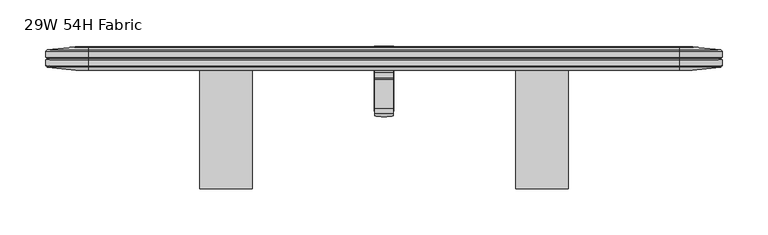
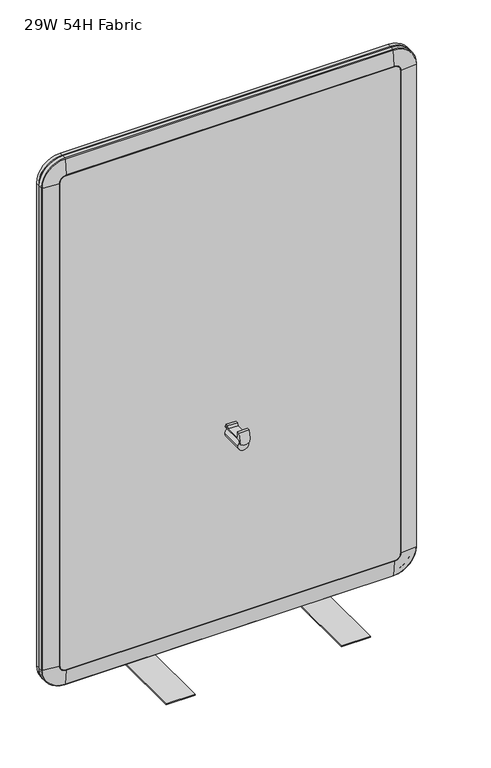
"""IFC4 building model written with IfcOpenShell, lengths in millimetres: furniture geometry, 29W 54H Fabric."""

from ifc_helpers import new_model, si_unit, point, frame, origin, place, context, project, spatial, polyline, circle_curve, ellipse_curve, trimmed, outline, extrude, faceted_brep, source, transform, mapped, element, save
from ifc_brep_helpers import plane_surface, cylinder_surface, revolved_surface, advanced_brep


def furniture_29w_54h_fabric_2c0704c0(model_context):
    return source(origin(), model_context, "Body", "SolidModel", [
        faceted_brep([(378.0789937, -2.6277066, 718.3078995), (378.0789937, -7.8728065, 718.3078995), (378.0789937, -9.612707, 713.1770353), (378.0789937, -41.8453065, 713.1770353), (378.0789937, -41.8453065, 727.3377989), (378.0789937, -47.4124812, 727.6782578), (378.0789937, -49.3824418, 711.6342516), (378.0789937, -46.6092656, 711.2937476), (378.0789937, -44.6393083, 725.0708588), (378.0789937, -44.6393083, 711.6530731), (378.0789937, 0.0, 711.6530731), (378.0789937, 0.0, 713.1770353), (378.0789937, -6.4377066, 713.1770353), (378.0789937, -6.2853063, 716.7838646), (378.0789937, -2.6277066, 716.7838646), (358.4447997, -2.6277066, 718.3078995), (358.4447997, -2.6277066, 716.7838646), (358.4447997, -6.2853063, 716.7838646), (358.4447997, -6.4377066, 713.1770353), (358.4447997, 0.0, 713.1770353), (358.4447997, 0.0, 711.6530731), (358.4447997, -44.6393083, 711.6530731), (358.4447997, -44.6393083, 725.0708588), (358.4447997, -46.6092689, 711.2937201), (358.4447997, -49.3824418, 711.6342516), (358.4447997, -47.4124812, 727.6782578), (358.4447997, -41.8453065, 727.3377989), (358.4447997, -41.8453065, 713.1770353), (358.4447997, -9.612707, 713.1770353), (358.4447997, -7.8728065, 718.3078995), (359.7326571, -50.2284276, 704.7442655), (365.0869088, -50.5788515, 701.8902979), (371.4368846, -50.5788515, 701.8902979), (376.7911363, -50.2284276, 704.7442655), (359.7326571, -47.4552511, 704.4037615), (376.7911363, -47.4552511, 704.4037615), (371.4368846, -47.805675, 701.5497938), (365.0869088, -47.805675, 701.5497938)], [[[0, 1, 2, 3, 4, 5, 6, 7, 8, 9, 10, 11, 12, 13, 14]], [[15, 16, 17, 18, 19, 20, 21, 22, 23, 24, 25, 26, 27, 28, 29]], [[1, 0, 15, 29]], [[2, 1, 29, 28]], [[3, 2, 28, 27]], [[4, 3, 27, 26]], [[5, 4, 26, 25]], [[6, 5, 25, 24, 30, 31, 32, 33]], [[8, 7, 23, 22]], [[9, 8, 22, 21]], [[10, 9, 21, 20]], [[11, 10, 20, 19]], [[12, 11, 19, 18]], [[13, 12, 18, 17]], [[14, 13, 17, 16]], [[0, 14, 16, 15]], [[34, 23, 7, 35, 36, 37]], [[31, 30, 34, 37]], [[32, 31, 37, 36]], [[33, 32, 36, 35]], [[6, 33, 35, 7]], [[30, 24, 23, 34]]]),
        advanced_brep(
        [(357.6250945, -44.6393083, 697.9244563), (378.8987055, -44.6393083, 697.9244563), (357.6250945, 26.4188362, 697.9244563), (378.8987055, 26.4188362, 697.9244563)],
        [
            (0, 1, circle_curve(frame((368.2619, -44.6393083, 697.9244563), z_axis=(0.0, -1.0, 0.0), x_axis=(1.0, 0.0, 0.0)), 10.6368055)),
            (1, 0, circle_curve(frame((368.2619, -44.6393083, 697.9244563), z_axis=(0.0, -1.0, 0.0), x_axis=(1.0, 0.0, 0.0)), 10.6368055)),
            (2, 3, circle_curve(frame((368.2619, 26.4188362, 697.9244563), z_axis=(0.0, 1.0, 0.0), x_axis=(1.0, 0.0, 0.0)), 10.6368055)),
            (3, 2, circle_curve(frame((368.2619, 26.4188362, 697.9244563), z_axis=(0.0, 1.0, 0.0), x_axis=(1.0, 0.0, 0.0)), 10.6368055)),
            (0, 2),
            (3, 1),
        ],
        [
            plane_surface(frame((378.8987055, -44.6393083, 697.9244563), z_axis=(0.0, -1.0, 0.0), x_axis=(0.0, 0.0, 1.0))),
            plane_surface(frame((378.8987055, 26.4188362, 697.9244563), z_axis=(0.0, 1.0, 0.0), x_axis=(0.0, 0.0, -1.0))),
            cylinder_surface(frame((368.2619, 26.4188362, 697.9244563), z_axis=(0.0, -1.0, 0.0), x_axis=(1.0, 0.0, 0.0)), 10.6368055),
        ],
        [
            (0, [[1, 2]]),
            (1, [[3, 4]]),
            (2, [[-1, 5, -4, 6]]),
            (2, [[-2, -6, -3, -5]]),
        ],
    ),
        extrude(outline(polyline([(11.6100608, 299.6271871), (13.3880602, 299.6271871), (13.3880602, 280.5771871), (-128.851937, 280.5771871), (-128.851937, 282.3551854), (11.6100608, 282.3551854), (11.6100608, 299.6271871)])), frame((511.8098934, 0.0, 0.0), z_axis=(1.0, 0.0, 0.0), x_axis=(0.0, 1.0, 0.0)), (0.0, 0.0, 1.0), 57.15),
        advanced_brep(
        [(32.6290972, 0.060067, 1329.8384987), (46.0374985, 0.060067, 1343.2469), (46.0374985, 3.1660648, 1374.2795636), (1.5964336, 3.1660648, 1329.8384987), (33.8323782, 0.0, 1329.8384987), (46.0374985, 0.0, 1342.0436189), (31.2877283, 25.2051854, 1329.8384987), (46.0374985, 25.2051854, 1344.5882689), (46.0374985, 25.4000008, 1340.6954989), (35.1804983, 25.4000008, 1329.8384987), (1.5874985, 22.2249992, 1329.8384987), (46.0374985, 22.2249992, 1374.2884987), (0.0635363, 20.7010007, 1329.8384987), (46.0374985, 20.7010007, 1375.8124609), (0.0635363, 14.2240001, 1329.8384987), (46.0374985, 14.2240001, 1375.8124609), (1.5874985, 12.7000004, 1329.8384987), (46.0374985, 12.7000004, 1374.2884987), (0.0635363, 11.1759996, 1329.8384987), (46.0374985, 11.1759996, 1375.8124609), (0.0635363, 4.6990001, 1329.8384987), (46.0374985, 4.6990001, 1375.8124609), (1.5964336, 3.1660648, 329.7896689), (32.6290972, 0.060067, 329.7896689), (33.8323782, 0.0, 329.7896689), (35.1804983, 25.4000008, 329.7896689), (31.2877283, 25.2051854, 329.7896689), (1.5874985, 22.2249992, 329.7896689), (0.0635363, 20.7010007, 329.7896689), (0.0635363, 14.2240001, 329.7896689), (1.5874985, 12.7000004, 329.7896689), (0.0635363, 11.1759996, 329.7896689), (0.0635363, 4.6990001, 329.7896689), (46.0374985, 3.1660648, 285.3486041), (46.0374985, 0.060067, 316.3812677), (46.0374985, 0.0, 317.5845487), (46.0374985, 25.4000008, 318.9326688), (46.0374985, 25.2051854, 315.0398987), (46.0374985, 22.2249992, 285.3396689), (46.0374985, 20.7010007, 283.8157067), (46.0374985, 14.2240001, 283.8157067), (46.0374985, 12.7000004, 285.3396689), (46.0374985, 11.1759996, 283.8157067), (46.0374985, 4.6990001, 283.8157067), (690.4863176, 3.1660648, 285.3486041), (690.4863176, 0.060067, 316.3812677), (690.4863176, 0.0, 317.5845487), (690.4863176, 25.4000008, 318.9326688), (690.4863176, 25.2051854, 315.0398987), (690.4863176, 22.2249992, 285.3396689), (690.4863176, 20.7010007, 283.8157067), (690.4863176, 14.2240001, 283.8157067), (690.4863176, 12.7000004, 285.3396689), (690.4863176, 11.1759996, 283.8157067), (690.4863176, 4.6990001, 283.8157067), (734.9273825, 3.1660648, 329.7896689), (703.8947189, 0.060067, 329.7896689), (702.6914379, 0.0, 329.7896689), (701.3433178, 25.4000008, 329.7896689), (705.2360878, 25.2051854, 329.7896689), (734.9363176, 22.2249992, 329.7896689), (736.4602798, 20.7010007, 329.7896689), (736.4602798, 14.2240001, 329.7896689), (734.9363176, 12.7000004, 329.7896689), (736.4602798, 11.1759996, 329.7896689), (736.4602798, 4.6990001, 329.7896689), (734.9273825, 3.1660648, 1329.8384987), (703.8947189, 0.060067, 1329.8384987), (702.6914379, 0.0, 1329.8384987), (701.3433178, 25.4000008, 1329.8384987), (705.2360878, 25.2051854, 1329.8384987), (734.9363176, 22.2249992, 1329.8384987), (736.4602798, 20.7010007, 1329.8384987), (736.4602798, 14.2240001, 1329.8384987), (734.9363176, 12.7000004, 1329.8384987), (736.4602798, 11.1759996, 1329.8384987), (736.4602798, 4.6990001, 1329.8384987), (690.4863176, 3.1660648, 1374.2795636), (690.4863176, 0.060067, 1343.2469), (690.4863176, 0.0, 1342.0436189), (690.4863176, 25.4000008, 1340.6954989), (690.4863176, 25.2051854, 1344.5882689), (690.4863176, 22.2249992, 1374.2884987), (690.4863176, 20.7010007, 1375.8124609), (690.4863176, 14.2240001, 1375.8124609), (690.4863176, 12.7000004, 1374.2884987), (690.4863176, 11.1759996, 1375.8124609), (690.4863176, 4.6990001, 1375.8124609)],
        [
            (0, 1, circle_curve(frame((46.0374985, 0.060067, 1329.8384987), z_axis=(0.0, 1.0, 0.0), x_axis=(0.0, 0.0, 1.0)), 13.4084013)),
            (1, 2),
            (2, 3, circle_curve(frame((46.0374985, 3.1660648, 1329.8384987), z_axis=(0.0, -1.0, 0.0), x_axis=(0.0, 0.0, 1.0)), 44.4410649)),
            (3, 0),
            (0, 4, circle_curve(frame((33.8323782, 12.0822956, 1329.8384987), z_axis=(0.0, 0.0, 1.0), x_axis=(1.0, 0.0, 0.0)), 12.0822956)),
            (4, 5, circle_curve(frame((46.0374985, 0.0, 1329.8384987), z_axis=(0.0, 1.0, 0.0), x_axis=(0.0, 0.0, 1.0)), 12.2051202)),
            (5, 1, circle_curve(frame((46.0374985, 12.0822956, 1342.0436189), z_axis=(-1.0, 0.0, 0.0), x_axis=(0.0, 0.0, -1.0)), 12.0822956)),
            (6, 7, circle_curve(frame((46.0374985, 25.2051854, 1329.8384987), z_axis=(0.0, 1.0, 0.0), x_axis=(0.0, 0.0, 1.0)), 14.7497702)),
            (7, 8, circle_curve(frame((46.0374985, -13.589762, 1340.6954989), z_axis=(-1.0, 0.0, 0.0), x_axis=(0.0, 0.0, -1.0)), 38.9897628)),
            (8, 9, circle_curve(frame((46.0374985, 25.4000008, 1329.8384987), z_axis=(0.0, -1.0, 0.0), x_axis=(0.0, 0.0, 1.0)), 10.8570002)),
            (9, 6, circle_curve(frame((35.1804983, -13.589762, 1329.8384987), z_axis=(0.0, 0.0, 1.0), x_axis=(1.0, 0.0, 0.0)), 38.9897628)),
            (6, 10),
            (10, 11, circle_curve(frame((46.0374985, 22.2249992, 1329.8384987), z_axis=(0.0, 1.0, 0.0), x_axis=(0.0, 0.0, 1.0)), 44.45)),
            (11, 7),
            (10, 12),
            (12, 13, circle_curve(frame((46.0374985, 20.7010007, 1329.8384987), z_axis=(0.0, 1.0, 0.0), x_axis=(0.0, 0.0, 1.0)), 45.9739622)),
            (13, 11),
            (12, 14),
            (14, 15, circle_curve(frame((46.0374985, 14.2240001, 1329.8384987), z_axis=(0.0, 1.0, 0.0), x_axis=(0.0, 0.0, 1.0)), 45.9739622)),
            (15, 13),
            (14, 16),
            (16, 17, circle_curve(frame((46.0374985, 12.7000004, 1329.8384987), z_axis=(0.0, 1.0, 0.0), x_axis=(0.0, 0.0, 1.0)), 44.45)),
            (17, 15),
            (16, 18),
            (18, 19, circle_curve(frame((46.0374985, 11.1759996, 1329.8384987), z_axis=(0.0, 1.0, 0.0), x_axis=(0.0, 0.0, 1.0)), 45.9739622)),
            (19, 17),
            (18, 20),
            (20, 21, circle_curve(frame((46.0374985, 4.6990001, 1329.8384987), z_axis=(0.0, 1.0, 0.0), x_axis=(0.0, 0.0, 1.0)), 45.9739622)),
            (21, 19),
            (2, 21),
            (20, 3),
            (3, 22),
            (22, 23),
            (23, 0),
            (23, 24, circle_curve(frame((33.8323782, 12.0822956, 329.7896689), z_axis=(0.0, 0.0, 1.0), x_axis=(1.0, 0.0, 0.0)), 12.0822956)),
            (24, 4),
            (9, 25),
            (25, 26, circle_curve(frame((35.1804983, -13.589762, 329.7896689), z_axis=(0.0, 0.0, 1.0), x_axis=(1.0, 0.0, 0.0)), 38.9897628)),
            (26, 6),
            (26, 27),
            (27, 10),
            (27, 28),
            (28, 12),
            (28, 29),
            (29, 14),
            (29, 30),
            (30, 16),
            (30, 31),
            (31, 18),
            (31, 32),
            (32, 20),
            (32, 22),
            (22, 33, circle_curve(frame((46.0374985, 3.1660648, 329.7896689), z_axis=(0.0, -1.0, 0.0), x_axis=(-1.0, 0.0, 0.0)), 44.4410649)),
            (33, 34),
            (34, 23, circle_curve(frame((46.0374985, 0.060067, 329.7896689), z_axis=(0.0, 1.0, 0.0), x_axis=(-1.0, 0.0, 0.0)), 13.4084013)),
            (34, 35, circle_curve(frame((46.0374985, 12.0822956, 317.5845487), z_axis=(-1.0, 0.0, 0.0), x_axis=(0.0, 0.0, 1.0)), 12.0822956)),
            (35, 24, circle_curve(frame((46.0374985, 0.0, 329.7896689), z_axis=(0.0, 1.0, 0.0), x_axis=(-1.0, 0.0, 0.0)), 12.2051202)),
            (25, 36, circle_curve(frame((46.0374985, 25.4000008, 329.7896689), z_axis=(0.0, -1.0, 0.0), x_axis=(-1.0, 0.0, 0.0)), 10.8570002)),
            (36, 37, circle_curve(frame((46.0374985, -13.589762, 318.9326688), z_axis=(-1.0, 0.0, 0.0), x_axis=(0.0, 0.0, 1.0)), 38.9897628)),
            (37, 26, circle_curve(frame((46.0374985, 25.2051854, 329.7896689), z_axis=(0.0, 1.0, 0.0), x_axis=(-1.0, 0.0, 0.0)), 14.7497702)),
            (37, 38),
            (38, 27, circle_curve(frame((46.0374985, 22.2249992, 329.7896689), z_axis=(0.0, 1.0, 0.0), x_axis=(-1.0, 0.0, 0.0)), 44.45)),
            (38, 39),
            (39, 28, circle_curve(frame((46.0374985, 20.7010007, 329.7896689), z_axis=(0.0, 1.0, 0.0), x_axis=(-1.0, 0.0, 0.0)), 45.9739622)),
            (39, 40),
            (40, 29, circle_curve(frame((46.0374985, 14.2240001, 329.7896689), z_axis=(0.0, 1.0, 0.0), x_axis=(-1.0, 0.0, 0.0)), 45.9739622)),
            (40, 41),
            (41, 30, circle_curve(frame((46.0374985, 12.7000004, 329.7896689), z_axis=(0.0, 1.0, 0.0), x_axis=(-1.0, 0.0, 0.0)), 44.45)),
            (41, 42),
            (42, 31, circle_curve(frame((46.0374985, 11.1759996, 329.7896689), z_axis=(0.0, 1.0, 0.0), x_axis=(-1.0, 0.0, 0.0)), 45.9739622)),
            (42, 43),
            (43, 32, circle_curve(frame((46.0374985, 4.6990001, 329.7896689), z_axis=(0.0, 1.0, 0.0), x_axis=(-1.0, 0.0, 0.0)), 45.9739622)),
            (43, 33),
            (33, 44),
            (44, 45),
            (45, 34),
            (45, 46, circle_curve(frame((690.4863176, 12.0822956, 317.5845487), z_axis=(-1.0, 0.0, 0.0), x_axis=(0.0, 0.0, 1.0)), 12.0822956)),
            (46, 35),
            (36, 47),
            (47, 48, circle_curve(frame((690.4863176, -13.589762, 318.9326688), z_axis=(-1.0, 0.0, 0.0), x_axis=(0.0, 0.0, 1.0)), 38.9897628)),
            (48, 37),
            (48, 49),
            (49, 38),
            (49, 50),
            (50, 39),
            (50, 51),
            (51, 40),
            (51, 52),
            (52, 41),
            (52, 53),
            (53, 42),
            (53, 54),
            (54, 43),
            (54, 44),
            (44, 55, circle_curve(frame((690.4863176, 3.1660648, 329.7896689), z_axis=(0.0, -1.0, 0.0), x_axis=(0.0, 0.0, -1.0)), 44.4410649)),
            (55, 56),
            (56, 45, circle_curve(frame((690.4863176, 0.060067, 329.7896689), z_axis=(0.0, 1.0, 0.0), x_axis=(0.0, 0.0, -1.0)), 13.4084013)),
            (56, 57, circle_curve(frame((702.6914379, 12.0822956, 329.7896689), z_axis=(-8.227418746287185e-12, 0.0, -1.0), x_axis=(-1.0, 0.0, 8.227418746287185e-12)), 12.0822956)),
            (57, 46, circle_curve(frame((690.4863176, 0.0, 329.7896689), z_axis=(0.0, 1.0, 0.0), x_axis=(0.0, 0.0, -1.0)), 12.2051202)),
            (47, 58, circle_curve(frame((690.4863176, 25.4000008, 329.7896689), z_axis=(0.0, -1.0, 0.0), x_axis=(0.0, 0.0, -1.0)), 10.8570002)),
            (58, 59, circle_curve(frame((701.3433178, -13.589762, 329.7896689), z_axis=(-1.0160761121369433e-11, 0.0, -1.0), x_axis=(-1.0, 0.0, 1.0160761121369433e-11)), 38.9897628)),
            (59, 48, circle_curve(frame((690.4863176, 25.2051854, 329.7896689), z_axis=(0.0, 1.0, 0.0), x_axis=(0.0, 0.0, -1.0)), 14.7497702)),
            (59, 60),
            (60, 49, circle_curve(frame((690.4863176, 22.2249992, 329.7896689), z_axis=(0.0, 1.0, 0.0), x_axis=(0.0, 0.0, -1.0)), 44.45)),
            (60, 61),
            (61, 50, circle_curve(frame((690.4863176, 20.7010007, 329.7896689), z_axis=(0.0, 1.0, 0.0), x_axis=(0.0, 0.0, -1.0)), 45.9739622)),
            (61, 62),
            (62, 51, circle_curve(frame((690.4863176, 14.2240001, 329.7896689), z_axis=(0.0, 1.0, 0.0), x_axis=(0.0, 0.0, -1.0)), 45.9739622)),
            (62, 63),
            (63, 52, circle_curve(frame((690.4863176, 12.7000004, 329.7896689), z_axis=(0.0, 1.0, 0.0), x_axis=(0.0, 0.0, -1.0)), 44.45)),
            (63, 64),
            (64, 53, circle_curve(frame((690.4863176, 11.1759996, 329.7896689), z_axis=(0.0, 1.0, 0.0), x_axis=(0.0, 0.0, -1.0)), 45.9739622)),
            (64, 65),
            (65, 54, circle_curve(frame((690.4863176, 4.6990001, 329.7896689), z_axis=(0.0, 1.0, 0.0), x_axis=(0.0, 0.0, -1.0)), 45.9739622)),
            (65, 55),
            (55, 66),
            (66, 67),
            (67, 56),
            (67, 68, circle_curve(frame((702.6914379, 12.0822956, 1329.8384987), z_axis=(0.0, 0.0, -1.0), x_axis=(-1.0, 0.0, 0.0)), 12.0822956)),
            (68, 57),
            (58, 69),
            (69, 70, circle_curve(frame((701.3433178, -13.589762, 1329.8384987), z_axis=(0.0, 0.0, -1.0), x_axis=(-1.0, 0.0, 0.0)), 38.9897628)),
            (70, 59),
            (70, 71),
            (71, 60),
            (71, 72),
            (72, 61),
            (72, 73),
            (73, 62),
            (73, 74),
            (74, 63),
            (74, 75),
            (75, 64),
            (75, 76),
            (76, 65),
            (76, 66),
            (66, 77, circle_curve(frame((690.4863176, 3.1660648, 1329.8384987), z_axis=(0.0, -1.0, 0.0), x_axis=(1.0, 0.0, 0.0)), 44.4410649)),
            (77, 78),
            (78, 67, circle_curve(frame((690.4863176, 0.060067, 1329.8384987), z_axis=(0.0, 1.0, 0.0), x_axis=(1.0, 0.0, 0.0)), 13.4084013)),
            (78, 79, circle_curve(frame((690.4863176, 12.0822956, 1342.0436189), z_axis=(1.0, 0.0, 0.0), x_axis=(0.0, 0.0, -1.0)), 12.0822956)),
            (79, 68, circle_curve(frame((690.4863176, 0.0, 1329.8384987), z_axis=(0.0, 1.0, 0.0), x_axis=(1.0, 0.0, 0.0)), 12.2051202)),
            (69, 80, circle_curve(frame((690.4863176, 25.4000008, 1329.8384987), z_axis=(0.0, -1.0, 0.0), x_axis=(1.0, 0.0, 0.0)), 10.8570002)),
            (80, 81, circle_curve(frame((690.4863176, -13.589762, 1340.6954989), z_axis=(1.0, 0.0, 0.0), x_axis=(0.0, 0.0, -1.0)), 38.9897628)),
            (81, 70, circle_curve(frame((690.4863176, 25.2051854, 1329.8384987), z_axis=(0.0, 1.0, 0.0), x_axis=(1.0, 0.0, 0.0)), 14.7497702)),
            (81, 82),
            (82, 71, circle_curve(frame((690.4863176, 22.2249992, 1329.8384987), z_axis=(0.0, 1.0, 0.0), x_axis=(1.0, 0.0, 0.0)), 44.45)),
            (82, 83),
            (83, 72, circle_curve(frame((690.4863176, 20.7010007, 1329.8384987), z_axis=(0.0, 1.0, 0.0), x_axis=(1.0, 0.0, 0.0)), 45.9739622)),
            (83, 84),
            (84, 73, circle_curve(frame((690.4863176, 14.2240001, 1329.8384987), z_axis=(0.0, 1.0, 0.0), x_axis=(1.0, 0.0, 0.0)), 45.9739622)),
            (84, 85),
            (85, 74, circle_curve(frame((690.4863176, 12.7000004, 1329.8384987), z_axis=(0.0, 1.0, 0.0), x_axis=(1.0, 0.0, 0.0)), 44.45)),
            (85, 86),
            (86, 75, circle_curve(frame((690.4863176, 11.1759996, 1329.8384987), z_axis=(0.0, 1.0, 0.0), x_axis=(1.0, 0.0, 0.0)), 45.9739622)),
            (86, 87),
            (87, 76, circle_curve(frame((690.4863176, 4.6990001, 1329.8384987), z_axis=(0.0, 1.0, 0.0), x_axis=(1.0, 0.0, 0.0)), 45.9739622)),
            (87, 77),
            (1, 78),
            (77, 2),
            (5, 79),
            (8, 80),
            (7, 81),
            (11, 82),
            (13, 83),
            (15, 84),
            (17, 85),
            (19, 86),
            (21, 87),
        ],
        [
            revolved_surface(polyline([(46.0374985, 3.1660648, 1374.2795636), (46.0374985, 0.060067, 1343.2469)]), (46.0374985, 0.0, 1329.8384987), (0.0, -1.0, 0.0)),
            revolved_surface(trimmed(ellipse_curve(frame((46.0374985, 12.0822956, 1342.0436189), z_axis=(1.0, 0.0, 0.0), x_axis=(0.0, 0.0, -1.0)), 12.0822956, 12.0822956), [point((46.0374985, 0.060067, 1343.2469))], [point((46.0374985, 0.0, 1342.0436189))], True, "CARTESIAN"), (46.0374985, 0.0, 1329.8384987), (0.0, -1.0, 0.0)),
            revolved_surface(trimmed(ellipse_curve(frame((46.0374985, -13.589762, 1340.6954989), z_axis=(1.0, 0.0, 0.0), x_axis=(0.0, 0.0, -1.0)), 38.9897628, 38.9897628), [point((46.0374985, 25.4000008, 1340.6954989))], [point((46.0374985, 25.2051854, 1344.5882689))], True, "CARTESIAN"), (46.0374985, 0.0, 1329.8384987), (0.0, -1.0, 0.0)),
            revolved_surface(polyline([(46.0374985, 25.2051854, 1344.5882689), (46.0374985, 22.2249992, 1374.2884987)]), (46.0374985, 0.0, 1329.8384987), (0.0, -1.0, 0.0)),
            revolved_surface(polyline([(46.0374985, 22.2249992, 1374.2884987), (46.0374985, 20.7010007, 1375.8124609)]), (46.0374985, 0.0, 1329.8384987), (0.0, -1.0, 0.0)),
            cylinder_surface(frame((46.0374985, 0.0, 1329.8384987), z_axis=(0.0, -1.0, 0.0), x_axis=(0.0, 0.0, 1.0)), 45.9739622),
            revolved_surface(polyline([(46.0374985, 14.2240001, 1375.8124609), (46.0374985, 12.7000004, 1374.2884987)]), (46.0374985, 0.0, 1329.8384987), (0.0, -1.0, 0.0)),
            revolved_surface(polyline([(46.0374985, 12.7000004, 1374.2884987), (46.0374985, 11.1759996, 1375.8124609)]), (46.0374985, 0.0, 1329.8384987), (0.0, -1.0, 0.0)),
            revolved_surface(polyline([(46.0374985, 4.6990001, 1375.8124609), (46.0374985, 3.1660648, 1374.2795636)]), (46.0374985, 0.0, 1329.8384987), (0.0, -1.0, 0.0)),
            plane_surface(frame((1.5964336, 3.1660648, 1329.8384987), z_axis=(-0.09959043254809558, -0.9950285150410934, 0.0), x_axis=(0.0, 0.0, -1.0))),
            cylinder_surface(frame((33.8323782, 12.0822956, 1329.8384987), z_axis=(0.0, 0.0, 1.0), x_axis=(1.0, 0.0, 0.0)), 12.0822956),
            cylinder_surface(frame((35.1804983, -13.589762, 1329.8384987), z_axis=(0.0, 0.0, 1.0), x_axis=(1.0, 0.0, 0.0)), 38.9897628),
            plane_surface(frame((31.2877283, 25.2051854, 1329.8384987), z_axis=(-0.0998408233066577, 0.995003422105396, 0.0), x_axis=(0.0, 0.0, -1.0))),
            plane_surface(frame((1.5874985, 22.2249992, 1329.8384987), z_axis=(-0.7071152106163853, 0.7070983516562214, 0.0), x_axis=(0.0, 0.0, -1.0))),
            plane_surface(frame((0.0635363, 20.7010007, 1329.8384987), z_axis=(-1.0, 0.0, 0.0), x_axis=(0.0, 0.0, -1.0))),
            plane_surface(frame((0.0635363, 14.2240001, 1329.8384987), z_axis=(-0.7071154740296444, -0.7070980882365836, 0.0), x_axis=(0.0, 0.0, -1.0))),
            plane_surface(frame((1.5874985, 12.7000004, 1329.8384987), z_axis=(-0.7071157374448838, 0.7070978248147695, 0.0), x_axis=(0.0, 0.0, -1.0))),
            plane_surface(frame((0.0635363, 11.1759996, 1329.8384987), z_axis=(-1.0, 0.0, 0.0), x_axis=(0.0, 0.0, -1.0))),
            plane_surface(frame((0.0635363, 4.6990001, 1329.8384987), z_axis=(-0.7071155398836171, -0.7070980223809855, 0.0), x_axis=(0.0, 0.0, -1.0))),
            revolved_surface(polyline([(1.5964336, 3.1660648, 329.7896689), (32.6290972, 0.060067, 329.7896689)]), (46.0374985, 0.0, 329.7896689), (0.0, -1.0, 0.0)),
            revolved_surface(trimmed(ellipse_curve(frame((33.8323782, 12.0822956, 329.7896689), z_axis=(0.0, 0.0, 1.0), x_axis=(1.0, 0.0, 0.0)), 12.0822956, 12.0822956), [point((32.6290972, 0.060067, 329.7896689))], [point((33.8323782, 0.0, 329.7896689))], True, "CARTESIAN"), (46.0374985, 0.0, 329.7896689), (0.0, -1.0, 0.0)),
            revolved_surface(trimmed(ellipse_curve(frame((35.1804983, -13.589762, 329.7896689), z_axis=(0.0, 0.0, 1.0), x_axis=(1.0, 0.0, 0.0)), 38.9897628, 38.9897628), [point((35.1804983, 25.4000008, 329.7896689))], [point((31.2877283, 25.2051854, 329.7896689))], True, "CARTESIAN"), (46.0374985, 0.0, 329.7896689), (0.0, -1.0, 0.0)),
            revolved_surface(polyline([(31.2877283, 25.2051854, 329.7896689), (1.5874985, 22.2249992, 329.7896689)]), (46.0374985, 0.0, 329.7896689), (0.0, -1.0, 0.0)),
            revolved_surface(polyline([(1.5874985, 22.2249992, 329.7896689), (0.0635363, 20.7010007, 329.7896689)]), (46.0374985, 0.0, 329.7896689), (0.0, -1.0, 0.0)),
            cylinder_surface(frame((46.0374985, 0.0, 329.7896689), z_axis=(0.0, -1.0, 0.0), x_axis=(-1.0, 0.0, 0.0)), 45.9739622),
            revolved_surface(polyline([(0.0635363, 14.2240001, 329.7896689), (1.5874985, 12.7000004, 329.7896689)]), (46.0374985, 0.0, 329.7896689), (0.0, -1.0, 0.0)),
            revolved_surface(polyline([(1.5874985, 12.7000004, 329.7896689), (0.0635363, 11.1759996, 329.7896689)]), (46.0374985, 0.0, 329.7896689), (0.0, -1.0, 0.0)),
            revolved_surface(polyline([(0.0635363, 4.6990001, 329.7896689), (1.5964336, 3.1660648, 329.7896689)]), (46.0374985, 0.0, 329.7896689), (0.0, -1.0, 0.0)),
            plane_surface(frame((46.0374985, 3.1660648, 285.3486041), z_axis=(0.0, -0.9950285150410885, -0.09959043254814469), x_axis=(1.0, 0.0, 0.0))),
            cylinder_surface(frame((46.0374985, 12.0822956, 317.5845487), z_axis=(-1.0, 0.0, 0.0), x_axis=(0.0, 0.0, 1.0)), 12.0822956),
            cylinder_surface(frame((46.0374985, -13.589762, 318.9326688), z_axis=(-1.0, 0.0, 0.0), x_axis=(0.0, 0.0, 1.0)), 38.9897628),
            plane_surface(frame((46.0374985, 25.2051854, 315.0398987), z_axis=(0.0, 0.9950034221054009, -0.09984082330660858), x_axis=(1.0, 0.0, 0.0))),
            plane_surface(frame((46.0374985, 22.2249992, 285.3396689), z_axis=(0.0, 0.7070983516562562, -0.7071152106163504), x_axis=(1.0, 0.0, 0.0))),
            plane_surface(frame((46.0374985, 20.7010007, 283.8157067), z_axis=(0.0, 0.0, -1.0), x_axis=(1.0, 0.0, 0.0))),
            plane_surface(frame((46.0374985, 14.2240001, 283.8157067), z_axis=(0.0, -0.7070980882365487, -0.7071154740296792), x_axis=(1.0, 0.0, 0.0))),
            plane_surface(frame((46.0374985, 12.7000004, 285.3396689), z_axis=(0.0, 0.7070978248148043, -0.7071157374448489), x_axis=(1.0, 0.0, 0.0))),
            plane_surface(frame((46.0374985, 11.1759996, 283.8157067), z_axis=(0.0, 0.0, -1.0), x_axis=(1.0, 0.0, 0.0))),
            plane_surface(frame((46.0374985, 4.6990001, 283.8157067), z_axis=(0.0, -0.7070980223809508, -0.7071155398836521), x_axis=(1.0, 0.0, 0.0))),
            revolved_surface(polyline([(690.4863176, 3.1660648, 285.3486041), (690.4863176, 0.060067, 316.3812677)]), (690.4863176, 0.0, 329.7896689), (0.0, -1.0, 0.0)),
            revolved_surface(trimmed(ellipse_curve(frame((690.4863176, 12.0822956, 317.5845487), z_axis=(-1.0, 0.0, 0.0), x_axis=(0.0, 0.0, 1.0)), 12.0822956, 12.0822956), [point((690.4863176, 0.060067, 316.3812677))], [point((690.4863176, 0.0, 317.5845487))], True, "CARTESIAN"), (690.4863176, 0.0, 329.7896689), (0.0, -1.0, 0.0)),
            revolved_surface(trimmed(ellipse_curve(frame((690.4863176, -13.589762, 318.9326688), z_axis=(-1.0, 0.0, 0.0), x_axis=(0.0, 0.0, 1.0)), 38.9897628, 38.9897628), [point((690.4863176, 25.4000008, 318.9326688))], [point((690.4863176, 25.2051854, 315.0398987))], True, "CARTESIAN"), (690.4863176, 0.0, 329.7896689), (0.0, -1.0, 0.0)),
            revolved_surface(polyline([(690.4863176, 25.2051854, 315.0398987), (690.4863176, 22.2249992, 285.3396689)]), (690.4863176, 0.0, 329.7896689), (0.0, -1.0, 0.0)),
            revolved_surface(polyline([(690.4863176, 22.2249992, 285.3396689), (690.4863176, 20.7010007, 283.8157067)]), (690.4863176, 0.0, 329.7896689), (0.0, -1.0, 0.0)),
            cylinder_surface(frame((690.4863176, 0.0, 329.7896689), z_axis=(0.0, -1.0, 0.0), x_axis=(0.0, 0.0, -1.0)), 45.9739622),
            revolved_surface(polyline([(690.4863176, 14.2240001, 283.8157067), (690.4863176, 12.7000004, 285.3396689)]), (690.4863176, 0.0, 329.7896689), (0.0, -1.0, 0.0)),
            revolved_surface(polyline([(690.4863176, 12.7000004, 285.3396689), (690.4863176, 11.1759996, 283.8157067)]), (690.4863176, 0.0, 329.7896689), (0.0, -1.0, 0.0)),
            revolved_surface(polyline([(690.4863176, 4.6990001, 283.8157067), (690.4863176, 3.1660648, 285.3486041)]), (690.4863176, 0.0, 329.7896689), (0.0, -1.0, 0.0)),
            plane_surface(frame((734.9273825, 3.1660648, 329.7896689), z_axis=(0.09959043254809558, -0.9950285150410934, 0.0), x_axis=(0.0, 0.0, 1.0))),
            cylinder_surface(frame((702.6914379, 12.0822956, 329.7896689), z_axis=(0.0, 0.0, -1.0), x_axis=(-1.0, 0.0, 0.0)), 12.0822956),
            cylinder_surface(frame((701.3433178, -13.589762, 329.7896689), z_axis=(0.0, 0.0, -1.0), x_axis=(-1.0, 0.0, 0.0)), 38.9897628),
            plane_surface(frame((705.2360878, 25.2051854, 329.7896689), z_axis=(0.0998408233066577, 0.995003422105396, 0.0), x_axis=(0.0, 0.0, 1.0))),
            plane_surface(frame((734.9363176, 22.2249992, 329.7896689), z_axis=(0.7071152106163853, 0.7070983516562214, 0.0), x_axis=(0.0, 0.0, 1.0))),
            plane_surface(frame((736.4602798, 20.7010007, 329.7896689), z_axis=(1.0, 0.0, 0.0), x_axis=(0.0, 0.0, 1.0))),
            plane_surface(frame((736.4602798, 14.2240001, 329.7896689), z_axis=(0.7071154740296444, -0.7070980882365836, 0.0), x_axis=(0.0, 0.0, 1.0))),
            plane_surface(frame((734.9363176, 12.7000004, 329.7896689), z_axis=(0.7071157374448838, 0.7070978248147695, 0.0), x_axis=(0.0, 0.0, 1.0))),
            plane_surface(frame((736.4602798, 11.1759996, 329.7896689), z_axis=(1.0, 0.0, 0.0), x_axis=(0.0, 0.0, 1.0))),
            plane_surface(frame((736.4602798, 4.6990001, 329.7896689), z_axis=(0.7071155398836172, -0.7070980223809856, 0.0), x_axis=(0.0, 0.0, 1.0))),
            revolved_surface(polyline([(734.9273825, 3.1660648, 1329.8384987), (703.8947189, 0.060067, 1329.8384987)]), (690.4863176, 0.0, 1329.8384987), (0.0, -1.0, 0.0)),
            revolved_surface(trimmed(ellipse_curve(frame((702.6914379, 12.0822956, 1329.8384987), z_axis=(0.0, 0.0, -1.0), x_axis=(-1.0, 0.0, 0.0)), 12.0822956, 12.0822956), [point((703.8947189, 0.060067, 1329.8384987))], [point((702.6914379, 0.0, 1329.8384987))], True, "CARTESIAN"), (690.4863176, 0.0, 1329.8384987), (0.0, -1.0, 0.0)),
            revolved_surface(trimmed(ellipse_curve(frame((701.3433178, -13.589762, 1329.8384987), z_axis=(0.0, 0.0, -1.0), x_axis=(-1.0, 0.0, 0.0)), 38.9897628, 38.9897628), [point((701.3433178, 25.4000008, 1329.8384987))], [point((705.2360878, 25.2051854, 1329.8384987))], True, "CARTESIAN"), (690.4863176, 0.0, 1329.8384987), (0.0, -1.0, 0.0)),
            revolved_surface(polyline([(705.2360878, 25.2051854, 1329.8384987), (734.9363176, 22.2249992, 1329.8384987)]), (690.4863176, 0.0, 1329.8384987), (0.0, -1.0, 0.0)),
            revolved_surface(polyline([(734.9363176, 22.2249992, 1329.8384987), (736.4602798, 20.7010007, 1329.8384987)]), (690.4863176, 0.0, 1329.8384987), (0.0, -1.0, 0.0)),
            cylinder_surface(frame((690.4863176, 0.0, 1329.8384987), z_axis=(0.0, -1.0, 0.0), x_axis=(1.0, 0.0, 0.0)), 45.9739622),
            revolved_surface(polyline([(736.4602798, 14.2240001, 1329.8384987), (734.9363176, 12.7000004, 1329.8384987)]), (690.4863176, 0.0, 1329.8384987), (0.0, -1.0, 0.0)),
            revolved_surface(polyline([(734.9363176, 12.7000004, 1329.8384987), (736.4602798, 11.1759996, 1329.8384987)]), (690.4863176, 0.0, 1329.8384987), (0.0, -1.0, 0.0)),
            revolved_surface(polyline([(736.4602798, 4.6990001, 1329.8384987), (734.9273825, 3.1660648, 1329.8384987)]), (690.4863176, 0.0, 1329.8384987), (0.0, -1.0, 0.0)),
            plane_surface(frame((690.4863176, 3.1660648, 1374.2795636), z_axis=(0.0, -0.9950285150410982, 0.09959043254804646), x_axis=(-1.0, 0.0, 0.0))),
            cylinder_surface(frame((690.4863176, 12.0822956, 1342.0436189), z_axis=(1.0, 0.0, 0.0), x_axis=(0.0, 0.0, -1.0)), 12.0822956),
            plane_surface(frame((690.4863176, 0.0, 1342.0436189), z_axis=(0.0, -1.0, 0.0), x_axis=(-1.0, 0.0, 0.0))),
            plane_surface(frame((690.4863176, 25.4000008, 1336.1884987), z_axis=(0.0, 1.0, 0.0), x_axis=(-1.0, 0.0, 0.0))),
            cylinder_surface(frame((690.4863176, -13.589762, 1340.6954989), z_axis=(1.0, 0.0, 0.0), x_axis=(0.0, 0.0, -1.0)), 38.9897628),
            plane_surface(frame((690.4863176, 25.2051854, 1344.5882689), z_axis=(0.0, 0.9950034221053912, 0.09984082330670681), x_axis=(-1.0, 0.0, 0.0))),
            plane_surface(frame((690.4863176, 22.2249992, 1374.2884987), z_axis=(0.0, 0.7070983516561865, 0.7071152106164201), x_axis=(-1.0, 0.0, 0.0))),
            plane_surface(frame((690.4863176, 20.7010007, 1375.8124609), z_axis=(0.0, 0.0, 1.0), x_axis=(-1.0, 0.0, 0.0))),
            plane_surface(frame((690.4863176, 14.2240001, 1375.8124609), z_axis=(0.0, -0.7070980882366185, 0.7071154740296095), x_axis=(-1.0, 0.0, 0.0))),
            plane_surface(frame((690.4863176, 12.7000004, 1374.2884987), z_axis=(0.0, 0.7070978248147346, 0.7071157374449186), x_axis=(-1.0, 0.0, 0.0))),
            plane_surface(frame((690.4863176, 11.1759996, 1375.8124609), z_axis=(0.0, 0.0, 1.0), x_axis=(-1.0, 0.0, 0.0))),
            plane_surface(frame((690.4863176, 4.6990001, 1375.8124609), z_axis=(0.0, -0.7070980223810205, 0.7071155398835823), x_axis=(-1.0, 0.0, 0.0))),
        ],
        [
            (0, [[1, 2, 3, 4]]),
            (1, [[-1, 5, 6, 7]]),
            (2, [[8, 9, 10, 11]]),
            (3, [[-8, 12, 13, 14]]),
            (4, [[-13, 15, 16, 17]]),
            (5, [[-16, 18, 19, 20]]),
            (6, [[-19, 21, 22, 23]]),
            (7, [[-22, 24, 25, 26]]),
            (5, [[-25, 27, 28, 29]]),
            (8, [[-3, 30, -28, 31]]),
            (9, [[-4, 32, 33, 34]]),
            (10, [[-5, -34, 35, 36]]),
            (11, [[-11, 37, 38, 39]]),
            (12, [[-12, -39, 40, 41]]),
            (13, [[-15, -41, 42, 43]]),
            (14, [[-18, -43, 44, 45]]),
            (15, [[-21, -45, 46, 47]]),
            (16, [[-24, -47, 48, 49]]),
            (17, [[-27, -49, 50, 51]]),
            (18, [[-31, -51, 52, -32]]),
            (19, [[-33, 53, 54, 55]]),
            (20, [[-35, -55, 56, 57]]),
            (21, [[-38, 58, 59, 60]]),
            (22, [[-40, -60, 61, 62]]),
            (23, [[-42, -62, 63, 64]]),
            (24, [[-44, -64, 65, 66]]),
            (25, [[-46, -66, 67, 68]]),
            (26, [[-48, -68, 69, 70]]),
            (24, [[-50, -70, 71, 72]]),
            (27, [[-52, -72, 73, -53]]),
            (28, [[-54, 74, 75, 76]]),
            (29, [[-56, -76, 77, 78]]),
            (30, [[-59, 79, 80, 81]]),
            (31, [[-61, -81, 82, 83]]),
            (32, [[-63, -83, 84, 85]]),
            (33, [[-65, -85, 86, 87]]),
            (34, [[-67, -87, 88, 89]]),
            (35, [[-69, -89, 90, 91]]),
            (36, [[-71, -91, 92, 93]]),
            (37, [[-73, -93, 94, -74]]),
            (38, [[-75, 95, 96, 97]]),
            (39, [[-77, -97, 98, 99]]),
            (40, [[-80, 100, 101, 102]]),
            (41, [[-82, -102, 103, 104]]),
            (42, [[-84, -104, 105, 106]]),
            (43, [[-86, -106, 107, 108]]),
            (44, [[-88, -108, 109, 110]]),
            (45, [[-90, -110, 111, 112]]),
            (43, [[-92, -112, 113, 114]]),
            (46, [[-94, -114, 115, -95]]),
            (47, [[-96, 116, 117, 118]]),
            (48, [[-98, -118, 119, 120]]),
            (49, [[-101, 121, 122, 123]]),
            (50, [[-103, -123, 124, 125]]),
            (51, [[-105, -125, 126, 127]]),
            (52, [[-107, -127, 128, 129]]),
            (53, [[-109, -129, 130, 131]]),
            (54, [[-111, -131, 132, 133]]),
            (55, [[-113, -133, 134, 135]]),
            (56, [[-115, -135, 136, -116]]),
            (57, [[-117, 137, 138, 139]]),
            (58, [[-119, -139, 140, 141]]),
            (59, [[-122, 142, 143, 144]]),
            (60, [[-124, -144, 145, 146]]),
            (61, [[-126, -146, 147, 148]]),
            (62, [[-128, -148, 149, 150]]),
            (63, [[-130, -150, 151, 152]]),
            (64, [[-132, -152, 153, 154]]),
            (62, [[-134, -154, 155, 156]]),
            (65, [[-136, -156, 157, -137]]),
            (66, [[-2, 158, -138, 159]]),
            (67, [[-7, 160, -140, -158]]),
            (68, [[-6, -36, -57, -78, -99, -120, -141, -160]]),
            (69, [[-10, 161, -142, -121, -100, -79, -58, -37]]),
            (70, [[-9, 162, -143, -161]]),
            (71, [[-14, 163, -145, -162]]),
            (72, [[-17, 164, -147, -163]]),
            (73, [[-20, 165, -149, -164]]),
            (74, [[-23, 166, -151, -165]]),
            (75, [[-26, 167, -153, -166]]),
            (76, [[-29, 168, -155, -167]]),
            (77, [[-30, -159, -157, -168]]),
        ],
    ),
        extrude(outline(polyline([(11.6100608, 299.6271871), (13.3880602, 299.6271871), (13.3880602, 280.5771871), (-128.851937, 280.5771871), (-128.851937, 282.3551854), (11.6100608, 282.3551854), (11.6100608, 299.6271871)])), frame((167.5639, 0.0, 0.0), z_axis=(1.0, 0.0, 0.0), x_axis=(0.0, 1.0, 0.0)), (0.0, 0.0, 1.0), 57.15),
    ])


if __name__ == "__main__":
    model = new_model("IFC4")
    model_context = context("Model", 3, world=origin())
    ifc_project = project(units=[si_unit("LENGTHUNIT", "METRE", prefix="MILLI")], contexts=[model_context])
    site = spatial("IfcSite", under=ifc_project)
    building = spatial("IfcBuilding", under=site)
    placement = place(None, origin())
    furniture_29w_54h_fabric_shape = furniture_29w_54h_fabric_2c0704c0(model_context)
    element("IfcFurniture", 1, ObjectType="29W 54H Fabric", at=placement, inside=building, context=model_context, shape_type="MappedRepresentation", body=[
        mapped(furniture_29w_54h_fabric_shape, transform((0.0, 0.0, 0.0), x_axis=(1.0, 0.0, 0.0), y_axis=(0.0, 1.0, 0.0), z_axis=(0.0, 0.0, 1.0))),
    ])
    save(model, "model.ifc")
